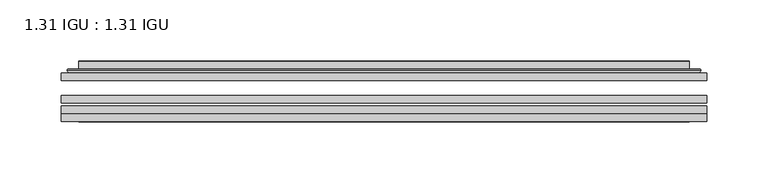
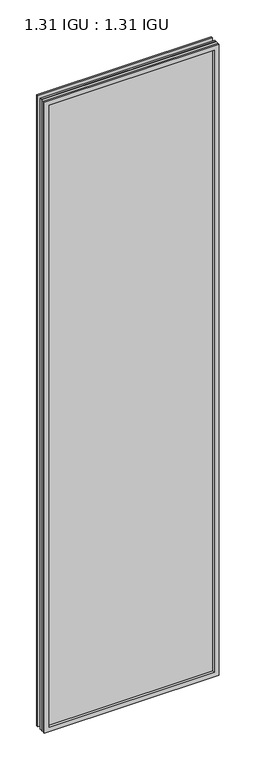
"""IFC4 building model written with IfcOpenShell, lengths in millimetres: plate geometry, 1.31 IGU : 1.31 IGU."""

from ifc_helpers import new_model, si_unit, frame, origin, place, context, project, spatial, polyline, ellipse_curve, outline, extrude, faceted_brep, source, transform, mapped, element, save
from ifc_brep_helpers import plane_surface, cylinder_surface, advanced_brep


def plate_1_31_igu_1_31_igu_5909810f(model_context):
    return source(origin(), model_context, "Body", "SolidModel", [
        extrude(outline(polyline([(263.539175, -63.59525), (263.539175, -69.94525), (-263.525, -69.94525), (-263.525, -63.59525), (263.539175, -63.59525)])), frame((0.0, 0.0, -14.2875), z_axis=(0.0, 0.0, 1.0), x_axis=(1.0, 0.0, 0.0)), (0.0, 0.0, 1.0), 2009.8015278),
        extrude(outline(polyline([(-263.525, -78.58125), (-263.525, -72.230745), (263.539175, -72.230745), (263.539175, -78.58125), (-263.525, -78.58125)])), frame((0.0, 0.0, -14.2875), z_axis=(0.0, 0.0, 1.0), x_axis=(1.0, 0.0, 0.0)), (0.0, 0.0, 1.0), 2009.8015278),
        extrude(outline(polyline([(263.539175, -45.25645), (263.539175, -51.60645), (-263.525, -51.60645), (-263.525, -45.25645), (263.539175, -45.25645)])), frame((0.0, 0.0, -14.2875), z_axis=(0.0, 0.0, 1.0), x_axis=(1.0, 0.0, 0.0)), (0.0, 0.0, 1.0), 2009.8015278),
        faceted_brep([(-263.5377, -84.93125, 1995.5229299), (-263.5377, -78.58125, 1995.5229299), (-263.5377, -78.58125, -14.3002), (-263.5377, -84.93125, -14.3002), (263.5377, -78.58125, -14.3002), (263.5377, -84.93125, -14.3002), (263.5377, -78.58125, 1995.5229299), (263.5377, -84.93125, 1995.5229299), (-248.3397559, -78.58125, 0.8977441), (248.3397559, -78.58125, 0.8977441), (248.3397559, -78.58125, 1980.3249858), (-248.3397559, -78.58125, 1980.3249858), (-249.2321902, -84.93125, 1981.2174201), (249.2321902, -84.93125, 1981.2174201), (249.2321902, -84.93125, 0.0053098), (-249.2321902, -84.93125, 0.0053098)], [[[0, 1, 2, 3]], [[3, 2, 4, 5]], [[5, 4, 6, 7]], [[1, 6, 4, 2], [8, 9, 10, 11]], [[7, 6, 1, 0]], [[3, 5, 7, 0], [12, 13, 14, 15]], [[11, 12, 15, 8]], [[8, 15, 14, 9]], [[9, 14, 13, 10]], [[10, 13, 12, 11]]]),
        advanced_brep(
        [(-256.283719, -45.25645, 1988.2689489), (-258.6379244, -43.2667833, 1990.6231543), (-258.6379244, -43.2667833, -9.4004244), (-256.283719, -45.25645, -7.046219), (-247.2093939, -41.416413, 1979.1946238), (-242.2745621, -45.25645, 1974.2597919), (-242.2745621, -45.25645, 6.9629379), (-247.2093939, -41.416413, 2.0281061), (-248.2414217, -36.0191819, 1980.2266515), (-248.2414217, -36.0191819, 0.9960783), (-249.2320784, -35.6202069, 1981.2173083), (-249.2320784, -35.6202069, 0.0054216), (-249.2320784, -42.08145, 1981.2173083), (-249.2320784, -42.08145, 0.0054216), (-257.6361349, -42.08145, 1989.6213648), (-257.6361349, -42.08145, -8.3986349), (258.6379244, -43.2667833, -9.4004244), (256.283719, -45.25645, -7.046219), (242.2745621, -45.25645, 6.9629379), (247.2093939, -41.416413, 2.0281061), (248.2414217, -36.0191819, 0.9960783), (249.2320784, -35.6202069, 0.0054216), (249.2320784, -42.08145, 0.0054216), (257.6361349, -42.08145, -8.3986349), (258.6379244, -43.2667833, 1990.6231543), (256.283719, -45.25645, 1988.2689489), (242.2745621, -45.25645, 1974.2597919), (247.2093939, -41.416413, 1979.1946238), (248.2414217, -36.0191819, 1980.2266515), (249.2320784, -35.6202069, 1981.2173083), (249.2320784, -42.08145, 1981.2173083), (257.6361349, -42.08145, 1989.6213648)],
        [
            (0, 1, ellipse_curve(frame((-256.283719, -42.86885, 1988.2689489), z_axis=(-0.7071067811865475, 0.0, -0.7071067811865475), x_axis=(-0.7071067811865474, 0.0, 0.7071067811865476)), 3.3765763, 2.3876)),
            (1, 2),
            (2, 3, ellipse_curve(frame((-256.283719, -42.86885, -7.046219), z_axis=(-0.7071067811865475, 0.0, 0.7071067811865475), x_axis=(0.7071067811865474, 0.0, 0.7071067811865476)), 3.3765763, 2.3876)),
            (3, 0),
            (4, 5),
            (5, 6),
            (6, 7),
            (7, 4),
            (8, 4),
            (7, 9),
            (9, 8),
            (10, 8, ellipse_curve(frame((-248.8651219, -36.1384423, 1980.8503517), z_axis=(-0.7071067811865475, 0.0, -0.7071067811865475), x_axis=(-0.7071067811865474, 0.0, 0.7071067811865476)), 0.8980256, 0.635)),
            (9, 11, ellipse_curve(frame((-248.8651219, -36.1384423, 0.3723781), z_axis=(-0.7071067811865475, 0.0, 0.7071067811865475), x_axis=(0.7071067811865474, 0.0, 0.7071067811865476)), 0.8980256, 0.635)),
            (11, 10),
            (12, 10),
            (11, 13),
            (13, 12),
            (1, 14, ellipse_curve(frame((-257.6361349, -43.09745, 1989.6213648), z_axis=(-0.7071067811865475, 0.0, -0.7071067811865475), x_axis=(-0.7071067811865474, 0.0, 0.7071067811865476)), 1.436841, 1.016)),
            (14, 15),
            (15, 2, ellipse_curve(frame((-257.6361349, -43.09745, -8.3986349), z_axis=(-0.7071067811865475, 0.0, 0.7071067811865475), x_axis=(0.7071067811865474, 0.0, 0.7071067811865476)), 1.436841, 1.016)),
            (2, 16),
            (16, 17, ellipse_curve(frame((256.283719, -42.86885, -7.046219), z_axis=(-0.7071067811865475, 0.0, -0.7071067811865475), x_axis=(-0.7071067811865476, 0.0, 0.7071067811865474)), 3.3765763, 2.3876)),
            (17, 3),
            (6, 18),
            (18, 19),
            (19, 7),
            (19, 20),
            (20, 9),
            (20, 21, ellipse_curve(frame((248.8651219, -36.1384423, 0.3723781), z_axis=(-0.7071067811865475, 0.0, -0.7071067811865475), x_axis=(-0.7071067811865476, 0.0, 0.7071067811865474)), 0.8980256, 0.635)),
            (21, 11),
            (21, 22),
            (22, 13),
            (15, 23),
            (23, 16, ellipse_curve(frame((257.6361349, -43.09745, -8.3986349), z_axis=(-0.7071067811865475, 0.0, -0.7071067811865475), x_axis=(-0.7071067811865476, 0.0, 0.7071067811865474)), 1.436841, 1.016)),
            (16, 24),
            (24, 25, ellipse_curve(frame((256.283719, -42.86885, 1988.2689489), z_axis=(0.7071067811865475, 0.0, -0.7071067811865475), x_axis=(-0.7071067811865474, 0.0, -0.7071067811865476)), 3.3765763, 2.3876)),
            (25, 17),
            (18, 26),
            (26, 27),
            (27, 19),
            (27, 28),
            (28, 20),
            (28, 29, ellipse_curve(frame((248.8651219, -36.1384423, 1980.8503517), z_axis=(0.7071067811865475, 0.0, -0.7071067811865475), x_axis=(-0.7071067811865474, 0.0, -0.7071067811865476)), 0.8980256, 0.635)),
            (29, 21),
            (29, 30),
            (30, 22),
            (23, 31),
            (31, 24, ellipse_curve(frame((257.6361349, -43.09745, 1989.6213648), z_axis=(0.7071067811865475, 0.0, -0.7071067811865475), x_axis=(-0.7071067811865474, 0.0, -0.7071067811865476)), 1.436841, 1.016)),
            (24, 1),
            (0, 25),
            (5, 26),
            (4, 27),
            (8, 28),
            (10, 29),
            (12, 30),
            (14, 31),
        ],
        [
            cylinder_surface(frame((-256.283719, -42.86885, 2012.9727299), z_axis=(0.0, 0.0, 1.0), x_axis=(-1.0, 0.0, 0.0)), 2.3876),
            plane_surface(frame((-242.2745621, -45.25645, 1974.2597919), z_axis=(0.6141233906514794, 0.7892100234124821, 0.0), x_axis=(0.0, 0.0, -1.0))),
            plane_surface(frame((-247.2093939, -41.416413, 1979.1946238), z_axis=(0.9822050625507729, 0.1878116479338607, 0.0), x_axis=(0.0, 0.0, -1.0))),
            cylinder_surface(frame((-248.8651219, -36.1384423, 2012.9727299), z_axis=(0.0, 0.0, 1.0), x_axis=(-1.0, 0.0, 0.0)), 0.635),
            plane_surface(frame((-249.2320784, -35.6202069, 1981.2173083), z_axis=(-1.0, 0.0, 0.0), x_axis=(0.0, 0.0, -1.0))),
            cylinder_surface(frame((-257.6361349, -43.09745, 2012.9727299), z_axis=(0.0, 0.0, 1.0), x_axis=(-1.0, 0.0, 0.0)), 1.016),
            cylinder_surface(frame((-280.9875, -42.86885, -7.046219), z_axis=(-1.0, 0.0, 0.0), x_axis=(0.0, 0.0, -1.0)), 2.3876),
            plane_surface(frame((-242.2745621, -45.25645, 6.9629379), z_axis=(0.0, 0.7892100234124841, 0.6141233906514768), x_axis=(1.0, 0.0, 0.0))),
            plane_surface(frame((-247.2093939, -41.416413, 2.0281061), z_axis=(0.0, 0.1878116479338639, 0.9822050625507722), x_axis=(1.0, 0.0, 0.0))),
            cylinder_surface(frame((-280.9875, -36.1384423, 0.3723781), z_axis=(-1.0, 0.0, 0.0), x_axis=(0.0, 0.0, -1.0)), 0.635),
            plane_surface(frame((-249.2320784, -35.6202069, 0.0054216), z_axis=(0.0, 0.0, -1.0), x_axis=(1.0, 0.0, 0.0))),
            cylinder_surface(frame((-280.9875, -43.09745, -8.3986349), z_axis=(-1.0, 0.0, 0.0), x_axis=(0.0, 0.0, -1.0)), 1.016),
            cylinder_surface(frame((256.283719, -42.86885, -31.75), z_axis=(0.0, 0.0, -1.0), x_axis=(1.0, 0.0, 0.0)), 2.3876),
            plane_surface(frame((242.2745621, -45.25645, 6.9629379), z_axis=(-0.6141233906514743, 0.7892100234124861, 0.0), x_axis=(0.0, 0.0, 1.0))),
            plane_surface(frame((247.2093939, -41.416413, 2.0281061), z_axis=(-0.9822050625507716, 0.1878116479338671, 0.0), x_axis=(0.0, 0.0, 1.0))),
            cylinder_surface(frame((248.8651219, -36.1384423, -31.75), z_axis=(0.0, 0.0, -1.0), x_axis=(1.0, 0.0, 0.0)), 0.635),
            plane_surface(frame((249.2320784, -35.6202069, 0.0054216), z_axis=(1.0, 0.0, 0.0), x_axis=(0.0, 0.0, 1.0))),
            cylinder_surface(frame((257.6361349, -43.09745, -31.75), z_axis=(0.0, 0.0, -1.0), x_axis=(1.0, 0.0, 0.0)), 1.016),
            cylinder_surface(frame((280.9875, -42.86885, 1988.2689489), z_axis=(1.0, 0.0, 0.0), x_axis=(0.0, 0.0, 1.0)), 2.3876),
            plane_surface(frame((256.283719, -45.25645, 1988.2689489), z_axis=(0.0, -1.0, 0.0), x_axis=(-1.0, 0.0, 0.0))),
            plane_surface(frame((242.2745621, -45.25645, 1974.2597919), z_axis=(0.0, 0.7892100234124841, -0.6141233906514768), x_axis=(-1.0, 0.0, 0.0))),
            plane_surface(frame((247.2093939, -41.416413, 1979.1946238), z_axis=(0.0, 0.1878116479338639, -0.9822050625507722), x_axis=(-1.0, 0.0, 0.0))),
            cylinder_surface(frame((280.9875, -36.1384423, 1980.8503517), z_axis=(1.0, 0.0, 0.0), x_axis=(0.0, 0.0, 1.0)), 0.635),
            plane_surface(frame((249.2320784, -35.6202069, 1981.2173083), z_axis=(0.0, 0.0, 1.0), x_axis=(-1.0, 0.0, 0.0))),
            plane_surface(frame((249.2320784, -42.08145, 1981.2173083), z_axis=(0.0, 1.0, 0.0), x_axis=(-1.0, 0.0, 0.0))),
            cylinder_surface(frame((280.9875, -43.09745, 1989.6213648), z_axis=(1.0, 0.0, 0.0), x_axis=(0.0, 0.0, 1.0)), 1.016),
        ],
        [
            (0, [[1, 2, 3, 4]]),
            (1, [[5, 6, 7, 8]]),
            (2, [[9, -8, 10, 11]]),
            (3, [[12, -11, 13, 14]]),
            (4, [[15, -14, 16, 17]]),
            (5, [[18, 19, 20, -2]]),
            (6, [[-3, 21, 22, 23]]),
            (7, [[-7, 24, 25, 26]]),
            (8, [[-10, -26, 27, 28]]),
            (9, [[-13, -28, 29, 30]]),
            (10, [[-16, -30, 31, 32]]),
            (11, [[-20, 33, 34, -21]]),
            (12, [[-22, 35, 36, 37]]),
            (13, [[-25, 38, 39, 40]]),
            (14, [[-27, -40, 41, 42]]),
            (15, [[-29, -42, 43, 44]]),
            (16, [[-31, -44, 45, 46]]),
            (17, [[-34, 47, 48, -35]]),
            (18, [[-36, 49, -1, 50]]),
            (19, [[-23, -37, -50, -4], [51, -38, -24, -6]]),
            (20, [[-39, -51, -5, 52]]),
            (21, [[-41, -52, -9, 53]]),
            (22, [[-43, -53, -12, 54]]),
            (23, [[-45, -54, -15, 55]]),
            (24, [[56, -47, -33, -19], [-32, -46, -55, -17]]),
            (25, [[-48, -56, -18, -49]]),
        ],
    ),
    ])


if __name__ == "__main__":
    model = new_model("IFC4")
    model_context = context("Model", 3, world=origin())
    ifc_project = project(units=[si_unit("LENGTHUNIT", "METRE", prefix="MILLI")], contexts=[model_context])
    site = spatial("IfcSite", under=ifc_project)
    building = spatial("IfcBuilding", under=site)
    placement = place(None, origin())
    plate_1_31_igu_1_31_igu_shape = plate_1_31_igu_1_31_igu_5909810f(model_context)
    element("IfcPlate", 1, ObjectType="1.31 IGU : 1.31 IGU", at=placement, inside=building, context=model_context, shape_type="MappedRepresentation", body=[
        mapped(plate_1_31_igu_1_31_igu_shape, transform((0.0, 0.0, 0.0), x_axis=(1.0, 0.0, 0.0), y_axis=(0.0, 1.0, 0.0), z_axis=(0.0, 0.0, 1.0))),
    ])
    save(model, "model.ifc")
